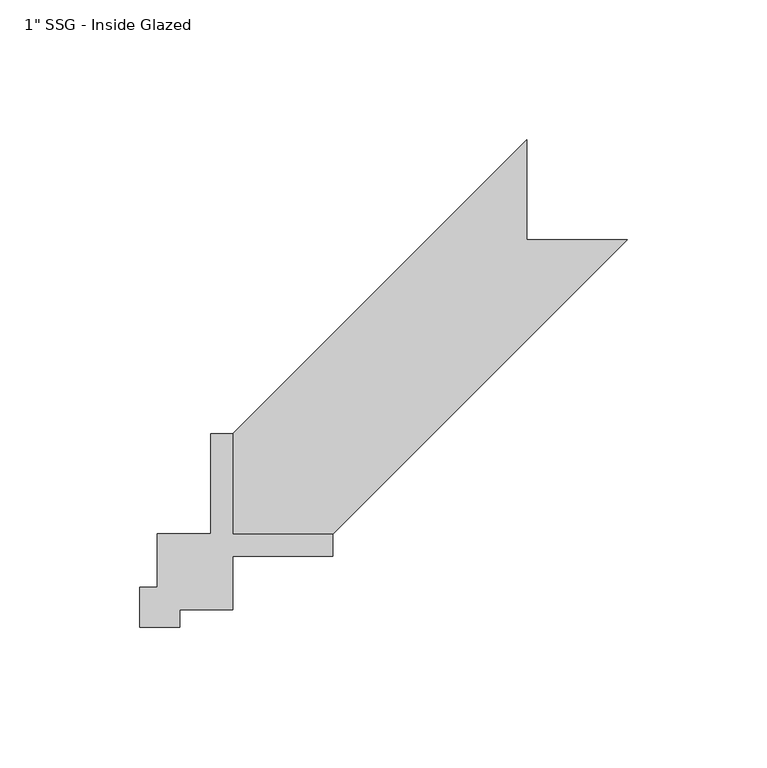
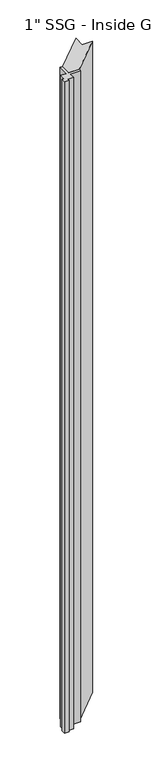
"""IFC4 building model written with IfcOpenShell, lengths in millimetres: proxy geometry."""

from ifc_helpers import new_model, si_unit, frame, origin, place, context, project, spatial, polyline, outline, extrude, source, transform, mapped, element, save


def proxy_fc1b4971(model_context):
    return source(origin(), model_context, "Body", "SweptSolid", [
        extrude(outline(polyline([(6.35, 33.4222074), (25.4, 33.4222074), (25.4, 69.2514339), (33.3304094, 69.2514339), (33.3304094, 33.3304096), (69.2514341, 33.3304096), (69.2514341, 25.4), (33.4222074, 25.4), (33.4222074, 6.35), (14.3722074, 6.35), (14.3722074, 0.0), (0.0, 0.0), (0.0, 14.3722074), (6.35, 14.3722074), (6.35, 33.4222074)])), frame((0.0, 0.0, 63.5), z_axis=(0.0, 0.0, 1.0), x_axis=(1.0, 0.0, 0.0)), (0.0, 0.0, 1.0), 2324.1),
        extrude(outline(polyline([(33.3304094, 69.2514339), (138.7404094, 174.6614339), (138.7404094, 138.7404096), (174.6614341, 138.7404096), (69.2514341, 33.3304096), (33.3304094, 33.3304096), (33.3304094, 69.2514339)])), frame((0.0, 0.0, 63.5), z_axis=(0.0, 0.0, 1.0), x_axis=(1.0, 0.0, 0.0)), (0.0, 0.0, 1.0), 2324.1),
    ])


if __name__ == "__main__":
    model = new_model("IFC4")
    model_context = context("Model", 3, world=origin())
    ifc_project = project(units=[si_unit("LENGTHUNIT", "METRE", prefix="MILLI")], contexts=[model_context])
    site = spatial("IfcSite", under=ifc_project)
    building = spatial("IfcBuilding", under=site)
    placement = place(None, origin())
    proxy_shape = proxy_fc1b4971(model_context)
    element("IfcBuildingElementProxy", 1, Name="1\" SSG - Inside Glazed", ObjectType="1\" SSG - Inside Glazed", at=placement, inside=building, context=model_context, shape_type="MappedRepresentation", body=[
        mapped(proxy_shape, transform((0.0, 0.0, 0.0), x_axis=(1.0, 0.0, 0.0), y_axis=(0.0, 1.0, 0.0), z_axis=(0.0, 0.0, 1.0))),
    ])
    save(model, "model.ifc")
